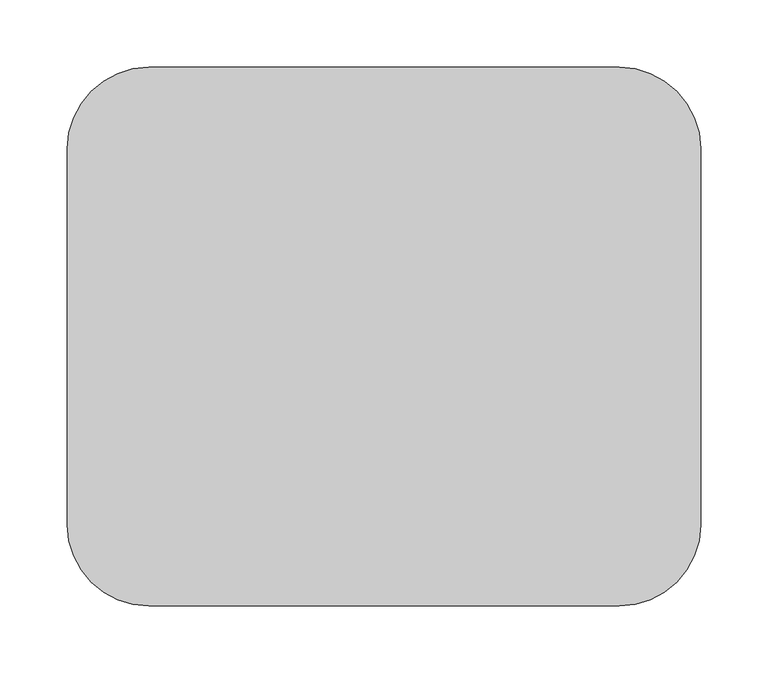
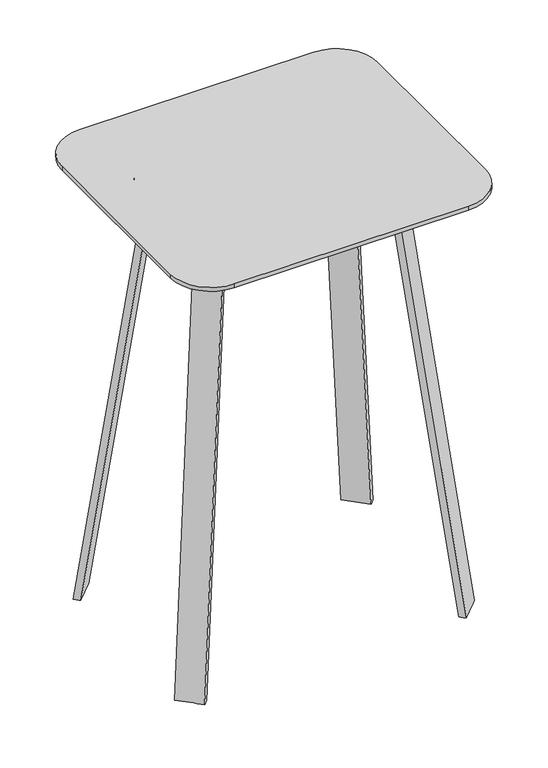
"""IFC4 building model written with IfcOpenShell, lengths in millimetres: furniture geometry."""

from ifc_helpers import new_model, si_unit, point, frame, frame_2d, origin, place, context, project, spatial, polyline, circle_curve, trimmed, segment, composite_curve, outline, extrude, source, transform, mapped, element, save
from ifc_brep_helpers import plane_surface, cylinder_surface, revolved_surface, spline_surface, advanced_brep


def furniture_f827fdb8(model_context):
    return source(origin(), model_context, "Body", "SolidModel", [
        extrude(outline(composite_curve([segment(trimmed(circle_curve(frame_2d((1202.7154289, 209.153125)), 60.325), [point((1202.7154289, 269.478125))], [point((1263.0404289, 209.153125))], False, "CARTESIAN"), True, "CONTINUOUS"), segment(polyline([(1263.0404289, 209.153125), (1263.0404289, -70.246875)]), True, "CONTINUOUS"), segment(trimmed(circle_curve(frame_2d((1202.7154289, -70.246875)), 60.325), [point((1263.0404289, -70.246875))], [point((1202.7154289, -130.571875))], False, "CARTESIAN"), True, "CONTINUOUS"), segment(polyline([(1202.7154289, -130.571875), (853.4654289, -130.571875)]), True, "CONTINUOUS"), segment(trimmed(circle_curve(frame_2d((853.4654289, -70.246875)), 60.325), [point((853.4654289, -130.571875))], [point((793.1404289, -70.246875))], False, "CARTESIAN"), True, "CONTINUOUS"), segment(polyline([(793.1404289, -70.246875), (793.1404289, 209.153125)]), True, "CONTINUOUS"), segment(trimmed(circle_curve(frame_2d((853.4654289, 209.153125)), 60.325), [point((793.1404289, 209.153125))], [point((853.4654289, 269.478125))], False, "CARTESIAN"), True, "CONTINUOUS"), segment(polyline([(853.4654289, 269.478125), (1202.7154289, 269.478125)]), True, "CONTINUOUS")], self_intersect=False)), frame((0.0, 0.0, 673.9548655), z_axis=(0.0, 0.0, 1.0), x_axis=(1.0, 0.0, 0.0)), (0.0, 0.0, 1.0), 5.9912283),
        advanced_brep(
        [(911.3163939, -36.0934602, 673.9548655), (1146.8752089, -36.0934602, 673.9548655), (1197.6752089, 14.7065398, 673.9548655), (1197.6752089, 124.2199619, 673.9548655), (1146.8752089, 175.0199619, 673.9548655), (909.3056489, 175.0199619, 673.9548655), (858.5056489, 124.2199619, 673.9548655), (858.4766075, 16.7463263, 673.9548655), (909.4037292, -28.0522359, 673.9548655), (866.5178136, 14.8336797, 673.9548655), (866.5178136, 124.7624191, 673.9548655), (908.8999517, 166.9787557, 673.9548655), (1147.2809061, 166.9787557, 673.9548655), (1189.6339846, 124.6256772, 673.9548655), (1189.6339846, 14.3887809, 673.9548655), (1147.1929678, -28.0522359, 673.9548655), (911.3163939, -36.0934602, 643.800347), (858.4766075, 16.7463263, 643.800347), (858.4766075, 124.2199619, 643.800347), (909.3056489, 175.0199619, 643.800347), (1146.8752089, 175.0199619, 643.800347), (1197.6752089, 124.2199619, 643.800347), (1197.6752089, 14.7065398, 643.800347), (1146.8752089, -36.0934602, 643.800347), (909.4037292, -28.0522359, 643.800347), (1147.1929678, -28.0522359, 643.800347), (1189.6339846, 14.3887809, 643.800347), (1189.6339846, 124.6256772, 643.800347), (1147.2809061, 166.9787557, 643.800347), (908.8999517, 166.9787557, 643.800347), (866.5468732, 124.6256772, 643.800347), (866.5178136, 14.8336797, 643.800347)],
        [
            (0, 1),
            (1, 2, circle_curve(frame((1146.8752089, 14.7065398, 673.9548655), z_axis=(0.0, 0.0, 1.0), x_axis=(1.0, 0.0, 0.0)), 50.8)),
            (2, 3),
            (3, 4, circle_curve(frame((1146.8752089, 124.2199619, 673.9548655), z_axis=(0.0, 0.0, 1.0), x_axis=(1.0, 0.0, 0.0)), 50.8)),
            (4, 5),
            (5, 6, circle_curve(frame((909.3056489, 124.2199619, 673.9548655), z_axis=(0.0, 0.0, 1.0), x_axis=(1.0, 0.0, 0.0)), 50.8)),
            (6, 7),
            (7, 0, circle_curve(frame((911.3163939, 16.7463263, 673.9548655), z_axis=(0.0, 0.0, 1.0), x_axis=(1.0, 0.0, 0.0)), 52.8397864)),
            (8, 9, circle_curve(frame((909.4037292, 14.8336797, 673.9548655), z_axis=(0.0, 0.0, -1.0), x_axis=(1.0, 0.0, 0.0)), 42.8859156)),
            (9, 10),
            (10, 11, circle_curve(frame((908.8999517, 124.6256772, 673.9548655), z_axis=(0.0, 0.0, -1.0), x_axis=(1.0, 0.0, 0.0)), 42.3530785)),
            (11, 12),
            (12, 13, circle_curve(frame((1147.2809061, 124.6256772, 673.9548655), z_axis=(0.0, 0.0, -1.0), x_axis=(1.0, 0.0, 0.0)), 42.3530785)),
            (13, 14),
            (14, 15, circle_curve(frame((1147.1929678, 14.3887809, 673.9548655), z_axis=(0.0, 0.0, -1.0), x_axis=(1.0, 0.0, 0.0)), 42.4410167)),
            (15, 8),
            (16, 17, circle_curve(frame((911.3163939, 16.7463263, 643.800347), z_axis=(0.0, 0.0, -1.0), x_axis=(1.0, 0.0, 0.0)), 52.8397864)),
            (17, 18),
            (18, 19, circle_curve(frame((909.3056489, 124.2199619, 643.800347), z_axis=(0.0, 0.0, -1.0), x_axis=(1.0, 0.0, 0.0)), 50.8)),
            (19, 20),
            (20, 21, circle_curve(frame((1146.8752089, 124.2199619, 643.800347), z_axis=(0.0, 0.0, -1.0), x_axis=(1.0, 0.0, 0.0)), 50.8)),
            (21, 22),
            (22, 23, circle_curve(frame((1146.8752089, 14.7065398, 643.800347), z_axis=(0.0, 0.0, -1.0), x_axis=(1.0, 0.0, 0.0)), 50.8)),
            (23, 16),
            (24, 25),
            (25, 26, circle_curve(frame((1147.1929678, 14.3887809, 643.800347), z_axis=(0.0, 0.0, 1.0), x_axis=(1.0, 0.0, 0.0)), 42.4410167)),
            (26, 27),
            (27, 28, circle_curve(frame((1147.2809061, 124.6256772, 643.800347), z_axis=(0.0, 0.0, 1.0), x_axis=(1.0, 0.0, 0.0)), 42.3530785)),
            (28, 29),
            (29, 30, circle_curve(frame((908.8999517, 124.6256772, 643.800347), z_axis=(0.0, 0.0, 1.0), x_axis=(1.0, 0.0, 0.0)), 42.3530785)),
            (30, 31),
            (31, 24, circle_curve(frame((909.4037292, 14.8336797, 643.800347), z_axis=(0.0, 0.0, 1.0), x_axis=(1.0, 0.0, 0.0)), 42.8859156)),
            (0, 16),
            (23, 1),
            (2, 22),
            (21, 3),
            (20, 4),
            (19, 5),
            (18, 6),
            (17, 7),
            (9, 31),
            (30, 10),
            (29, 11),
            (28, 12),
            (27, 13),
            (26, 14),
            (15, 25),
            (24, 8),
        ],
        [
            plane_surface(frame((1146.8752089, -36.0934602, 673.9548655), z_axis=(0.0, 0.0, 1.0), x_axis=(1.0, 0.0, 0.0))),
            plane_surface(frame((1146.8752089, -36.0934602, 643.800347), z_axis=(0.0, 0.0, -1.0), x_axis=(-1.0, 0.0, 0.0))),
            plane_surface(frame((911.3163939, -36.0934602, 673.9548655), z_axis=(0.0, -1.0, 0.0), x_axis=(0.0, 0.0, -1.0))),
            plane_surface(frame((1197.6752089, 14.7065398, 673.9548655), z_axis=(1.0, 0.0, 0.0), x_axis=(0.0, 0.0, -1.0))),
            cylinder_surface(frame((1146.8752089, 124.2199619, 643.800347), z_axis=(0.0, 0.0, 1.0), x_axis=(1.0, 0.0, 0.0)), 50.8),
            plane_surface(frame((1146.8752089, 175.0199619, 673.9548655), z_axis=(0.0, 1.0, 0.0), x_axis=(0.0, 0.0, -1.0))),
            cylinder_surface(frame((909.3056489, 124.2199619, 643.800347), z_axis=(0.0, 0.0, 1.0), x_axis=(1.0, 0.0, 0.0)), 50.8),
            plane_surface(frame((858.4766075, 124.2199619, 673.9548655), z_axis=(-1.0, 0.0, 0.0), x_axis=(0.0, 0.0, -1.0))),
            plane_surface(frame((866.5178136, 14.8336797, 673.9548655), z_axis=(1.0, 0.0, 0.0), x_axis=(0.0, 0.0, -1.0))),
            revolved_surface(polyline([(951.2530302, 124.6256772, 643.800347), (951.2530302, 124.6256772, 673.9548655)]), (908.8999517, 124.6256772, 0.0), (0.0, 0.0, -1.0)),
            plane_surface(frame((908.8999517, 166.9787557, 673.9548655), z_axis=(0.0, -1.0, 0.0), x_axis=(0.0, 0.0, -1.0))),
            revolved_surface(polyline([(1189.6339846, 124.6256772, 643.800347), (1189.6339846, 124.6256772, 673.9548655)]), (1147.2809061, 124.6256772, 0.0), (0.0, 0.0, -1.0)),
            plane_surface(frame((1189.6339846, 124.6256772, 673.9548655), z_axis=(-1.0, 0.0, 0.0), x_axis=(0.0, 0.0, -1.0))),
            plane_surface(frame((1147.1929678, -28.0522359, 673.9548655), z_axis=(0.0, 1.0, 0.0), x_axis=(0.0, 0.0, -1.0))),
            cylinder_surface(frame((1146.8752089, 14.7065398, 643.800347), z_axis=(0.0, 0.0, 1.0), x_axis=(1.0, 0.0, 0.0)), 50.8),
            cylinder_surface(frame((911.3163939, 16.7463263, 643.800347), z_axis=(0.0, 0.0, 1.0), x_axis=(1.0, 0.0, 0.0)), 52.8397864),
            revolved_surface(polyline([(952.2896448, 14.8336797, 643.800347), (952.2896448, 14.8336797, 673.9548655)]), (909.4037292, 14.8336797, 0.0), (0.0, 0.0, -1.0)),
            revolved_surface(polyline([(1189.6339845, 14.3887809, 643.800347), (1189.6339845, 14.3887809, 673.9548655)]), (1147.1929678, 14.3887809, 0.0), (0.0, 0.0, -1.0)),
        ],
        [
            (0, [[1, 2, 3, 4, 5, 6, 7, 8], [9, 10, 11, 12, 13, 14, 15, 16]]),
            (1, [[17, 18, 19, 20, 21, 22, 23, 24], [25, 26, 27, 28, 29, 30, 31, 32]]),
            (2, [[-1, 33, -24, 34]]),
            (3, [[-3, 35, -22, 36]]),
            (4, [[-4, -36, -21, 37]]),
            (5, [[-5, -37, -20, 38]]),
            (6, [[-6, -38, -19, 39]]),
            (7, [[-7, -39, -18, 40]]),
            (8, [[-10, 41, -31, 42]]),
            (9, [[-11, -42, -30, 43]]),
            (10, [[-12, -43, -29, 44]]),
            (11, [[-13, -44, -28, 45]]),
            (12, [[-14, -45, -27, 46]]),
            (13, [[-16, 47, -25, 48]]),
            (14, [[-2, -34, -23, -35]]),
            (15, [[-8, -40, -17, -33]]),
            (16, [[-9, -48, -32, -41]]),
            (17, [[-15, -46, -26, -47]]),
        ],
    ),
        advanced_brep(
        [(900.9226819, 161.0141176, 661.8930654), (872.4927312, 132.5841306, 661.8930654), (879.6736882, 125.4032462, 661.8930654), (908.103639, 153.8331969, 661.8930654), (833.1038564, 228.8328705, 0.0), (840.2847809, 221.6519536, 0.0), (811.8548283, 193.222001, 0.0), (804.6739057, 200.4029197, 0.0)],
        [
            (0, 1),
            (1, 2),
            (2, 3),
            (3, 0),
            (4, 5),
            (5, 6),
            (6, 7),
            (7, 4),
            (7, 1),
            (0, 4),
            (6, 2),
            (5, 3),
        ],
        [
            plane_surface(frame((890.2981851, 143.2086728, 661.8930654), z_axis=(0.0, 0.0, 1.0), x_axis=(0.7071103590917963, -0.7071032032631948, 0.0))),
            plane_surface(frame((822.4793428, 211.0274362, 0.0), z_axis=(0.0, 0.0, -1.0), x_axis=(0.7071103590917963, -0.7071032032631948, 0.0))),
            spline_surface(1, 1, [[(833.1038564, 228.8328705, 0.0), (900.9226819, 161.0141176, 661.8930654)], [(804.6739057, 200.4029197, 0.0), (872.4927312, 132.5841306, 661.8930654)]], [2, 2], [2, 2], [0.0, 1.0], [0.0, 1.0]),
            spline_surface(1, 1, [[(804.6739057, 200.4029197, 0.0), (872.4927312, 132.5841306, 661.8930654)], [(811.8548283, 193.222001, 0.0), (879.6736882, 125.4032462, 661.8930654)]], [2, 2], [2, 2], [0.0, 1.0], [0.0, 1.0]),
            plane_surface(frame((826.0698046, 207.4369773, 0.0), z_axis=(0.6997981597514603, -0.6997981597514608, -0.1434052691393833), x_axis=(0.7071067811865478, 0.7071067811865474, 0.0))),
            spline_surface(1, 1, [[(840.2847809, 221.6519536, 0.0), (908.103639, 153.8331969, 661.8930654)], [(833.1038564, 228.8328705, 0.0), (900.9226819, 161.0141176, 661.8930654)]], [2, 2], [2, 2], [0.0, 1.0], [0.0, 1.0]),
        ],
        [
            (0, [[1, 2, 3, 4]]),
            (1, [[5, 6, 7, 8]]),
            (2, [[-8, 9, -1, 10]]),
            (3, [[-7, 11, -2, -9]]),
            (4, [[-6, 12, -3, -11]]),
            (5, [[-5, -10, -4, -12]]),
        ],
    ),
        advanced_brep(
        [(900.9226819, -22.1078676, 661.8930654), (908.103639, -14.9269469, 661.8930654), (879.6736882, 13.5030038, 661.8930654), (872.4927312, 6.3221194, 661.8930654), (833.1038564, -89.9266205, 0.0), (804.6739057, -61.4966697, 0.0), (811.8548283, -54.315751, 0.0), (840.2847809, -82.7457036, 0.0)],
        [
            (0, 1),
            (1, 2),
            (2, 3),
            (3, 0),
            (4, 5),
            (5, 6),
            (6, 7),
            (7, 4),
            (4, 0),
            (3, 5),
            (2, 6),
            (1, 7),
        ],
        [
            plane_surface(frame((890.2981851, -4.3024228, 661.8930654), z_axis=(0.0, 0.0, 1.0), x_axis=(0.7071063293266252, -0.7071072330461812, 0.0))),
            plane_surface(frame((822.4793428, -72.1211862, 0.0), z_axis=(0.0, 0.0, -1.0), x_axis=(0.7071063293266252, -0.7071072330461812, 0.0))),
            spline_surface(1, 1, [[(804.6739057, -61.4966697, 0.0), (872.4927312, 6.3221194, 661.8930654)], [(833.1038564, -89.9266205, 0.0), (900.9226819, -22.1078676, 661.8930654)]], [2, 2], [2, 2], [0.0, 1.0], [0.0, 1.0]),
            spline_surface(1, 1, [[(811.8548283, -54.315751, 0.0), (879.6736882, 13.5030038, 661.8930654)], [(804.6739057, -61.4966697, 0.0), (872.4927312, 6.3221194, 661.8930654)]], [2, 2], [2, 2], [0.0, 1.0], [0.0, 1.0]),
            plane_surface(frame((826.0698046, -68.5307273, 0.0), z_axis=(0.6997981597514614, 0.6997981597514596, -0.14340526913938315), x_axis=(-0.7071067811865467, 0.7071067811865485, 0.0))),
            spline_surface(1, 1, [[(833.1038564, -89.9266205, 0.0), (900.9226819, -22.1078676, 661.8930654)], [(840.2847809, -82.7457036, 0.0), (908.103639, -14.9269469, 661.8930654)]], [2, 2], [2, 2], [0.0, 1.0], [0.0, 1.0]),
        ],
        [
            (0, [[1, 2, 3, 4]]),
            (1, [[5, 6, 7, 8]]),
            (2, [[-5, 9, -4, 10]]),
            (3, [[-6, -10, -3, 11]]),
            (4, [[-7, -11, -2, 12]]),
            (5, [[-8, -12, -1, -9]]),
        ],
    ),
        advanced_brep(
        [(1155.2581759, 161.0141176, 661.8930654), (1148.0772188, 153.8331969, 661.8930654), (1176.5071695, 125.4032462, 661.8930654), (1183.6881266, 132.5841306, 661.8930654), (1223.0770014, 228.8328705, 0.0), (1251.5069521, 200.4029197, 0.0), (1244.3260295, 193.222001, 0.0), (1215.8960768, 221.6519536, 0.0)],
        [
            (0, 1),
            (1, 2),
            (2, 3),
            (3, 0),
            (4, 5),
            (5, 6),
            (6, 7),
            (7, 4),
            (4, 0),
            (3, 5),
            (2, 6),
            (1, 7),
        ],
        [
            plane_surface(frame((1165.8826727, 143.2086728, 661.8930654), z_axis=(0.0, 0.0, 1.0), x_axis=(-0.7071063293266252, 0.7071072330461811, 0.0))),
            plane_surface(frame((1233.701515, 211.0274362, 0.0), z_axis=(0.0, 0.0, -1.0), x_axis=(-0.7071063293266252, 0.7071072330461811, 0.0))),
            spline_surface(1, 1, [[(1251.5069521, 200.4029197, 0.0), (1183.6881266, 132.5841306, 661.8930654)], [(1223.0770014, 228.8328705, 0.0), (1155.2581759, 161.0141176, 661.8930654)]], [2, 2], [2, 2], [0.0, 1.0], [0.0, 1.0]),
            spline_surface(1, 1, [[(1244.3260295, 193.222001, 0.0), (1176.5071695, 125.4032462, 661.8930654)], [(1251.5069521, 200.4029197, 0.0), (1183.6881266, 132.5841306, 661.8930654)]], [2, 2], [2, 2], [0.0, 1.0], [0.0, 1.0]),
            plane_surface(frame((1230.1110532, 207.4369773, 0.0), z_axis=(-0.6997981597514605, -0.6997981597514605, -0.1434052691393833), x_axis=(0.7071067811865476, -0.7071067811865476, 0.0))),
            spline_surface(1, 1, [[(1223.0770014, 228.8328705, 0.0), (1155.2581759, 161.0141176, 661.8930654)], [(1215.8960768, 221.6519536, 0.0), (1148.0772188, 153.8331969, 661.8930654)]], [2, 2], [2, 2], [0.0, 1.0], [0.0, 1.0]),
        ],
        [
            (0, [[1, 2, 3, 4]]),
            (1, [[5, 6, 7, 8]]),
            (2, [[-5, 9, -4, 10]]),
            (3, [[-6, -10, -3, 11]]),
            (4, [[-7, -11, -2, 12]]),
            (5, [[-8, -12, -1, -9]]),
        ],
    ),
        advanced_brep(
        [(1155.2581759, -22.1078676, 661.8930654), (1183.6881266, 6.3221194, 661.8930654), (1176.5071695, 13.5030038, 661.8930654), (1148.0772188, -14.9269469, 661.8930654), (1223.0770014, -89.9266205, 0.0), (1215.8960768, -82.7457036, 0.0), (1244.3260295, -54.315751, 0.0), (1251.5069521, -61.4966697, 0.0)],
        [
            (0, 1),
            (1, 2),
            (2, 3),
            (3, 0),
            (4, 5),
            (5, 6),
            (6, 7),
            (7, 4),
            (7, 1),
            (0, 4),
            (6, 2),
            (5, 3),
        ],
        [
            plane_surface(frame((1165.8826727, -4.3024228, 661.8930654), z_axis=(0.0, 0.0, 1.0), x_axis=(-0.7071103590917963, 0.7071032032631948, 0.0))),
            plane_surface(frame((1233.701515, -72.1211862, 0.0), z_axis=(0.0, 0.0, -1.0), x_axis=(-0.7071103590917963, 0.7071032032631948, 0.0))),
            spline_surface(1, 1, [[(1223.0770014, -89.9266205, 0.0), (1155.2581759, -22.1078676, 661.8930654)], [(1251.5069521, -61.4966697, 0.0), (1183.6881266, 6.3221194, 661.8930654)]], [2, 2], [2, 2], [0.0, 1.0], [0.0, 1.0]),
            spline_surface(1, 1, [[(1251.5069521, -61.4966697, 0.0), (1183.6881266, 6.3221194, 661.8930654)], [(1244.3260295, -54.315751, 0.0), (1176.5071695, 13.5030038, 661.8930654)]], [2, 2], [2, 2], [0.0, 1.0], [0.0, 1.0]),
            plane_surface(frame((1230.1110532, -68.5307273, 0.0), z_axis=(-0.6997981597514605, 0.6997981597514605, -0.1434052691393835), x_axis=(-0.7071067811865476, -0.7071067811865476, 0.0))),
            spline_surface(1, 1, [[(1215.8960768, -82.7457036, 0.0), (1148.0772188, -14.9269469, 661.8930654)], [(1223.0770014, -89.9266205, 0.0), (1155.2581759, -22.1078676, 661.8930654)]], [2, 2], [2, 2], [0.0, 1.0], [0.0, 1.0]),
        ],
        [
            (0, [[1, 2, 3, 4]]),
            (1, [[5, 6, 7, 8]]),
            (2, [[-8, 9, -1, 10]]),
            (3, [[-7, 11, -2, -9]]),
            (4, [[-6, 12, -3, -11]]),
            (5, [[-5, -10, -4, -12]]),
        ],
    ),
    ])


if __name__ == "__main__":
    model = new_model("IFC4")
    model_context = context("Model", 3, world=origin())
    ifc_project = project(units=[si_unit("LENGTHUNIT", "METRE", prefix="MILLI")], contexts=[model_context])
    site = spatial("IfcSite", under=ifc_project)
    building = spatial("IfcBuilding", under=site)
    placement = place(None, origin())
    furniture_shape = furniture_f827fdb8(model_context)
    element("IfcFurniture", 1, at=placement, inside=building, context=model_context, shape_type="MappedRepresentation", body=[
        mapped(furniture_shape, transform((0.0, 0.0, 0.0), x_axis=(1.0, 0.0, 0.0), y_axis=(0.0, 1.0, 0.0), z_axis=(0.0, 0.0, 1.0))),
    ])
    save(model, "model.ifc")
